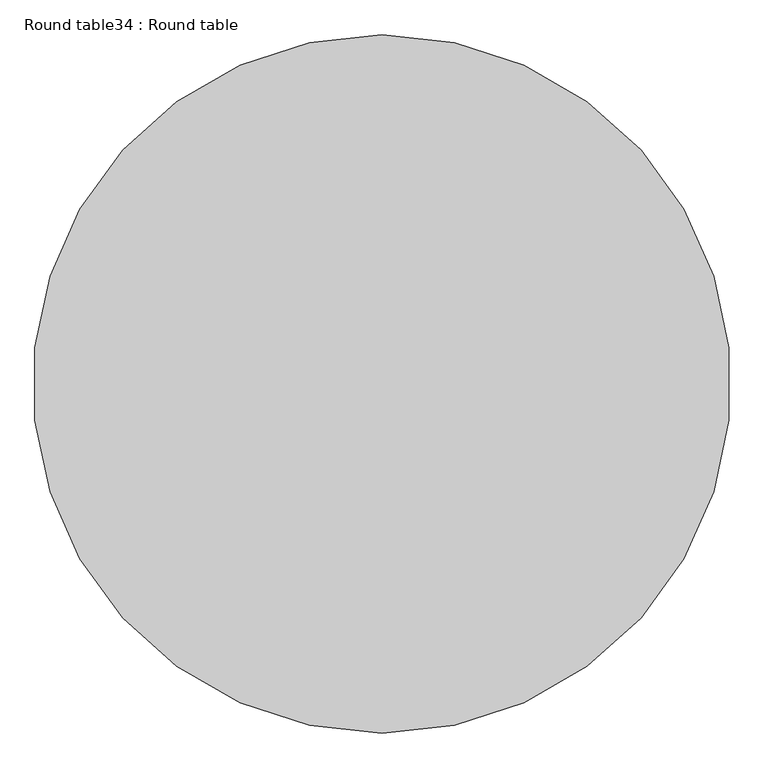
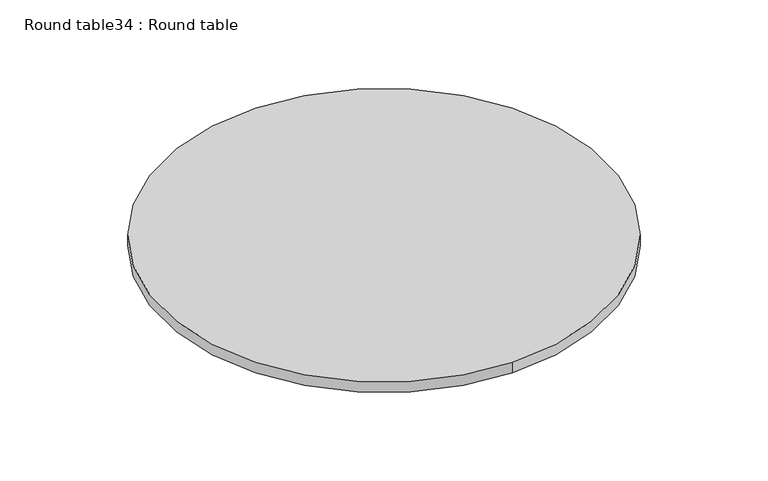
"""IFC4 building model written with IfcOpenShell, lengths in millimetres: furniture geometry, Round table34 : Round table."""

from ifc_helpers import new_model, si_unit, point, frame, frame_2d, origin, place, context, project, spatial, circle_curve, trimmed, segment, composite_curve, outline, extrude, source, transform, mapped, element, save


def round_table34_round_table_cab80abe(model_context):
    return source(origin(), model_context, "Body", "SweptSolid", [
        extrude(outline(composite_curve([segment(trimmed(circle_curve(frame_2d((-119339.8050978, -5944.9606028)), 508.0), [point((-119339.8050978, -5436.9606028))], [point((-119339.8050978, -6452.9606028))], False, "CARTESIAN"), True, "CONTINUOUS"), segment(trimmed(circle_curve(frame_2d((-119339.8050978, -5944.9606028)), 508.0), [point((-119339.8050978, -6452.9606028))], [point((-119339.8050978, -5436.9606028))], False, "CARTESIAN"), True, "CONTINUOUS")], self_intersect=False)), frame((0.0, 0.0, 762.0), z_axis=(0.0, 0.0, 1.0), x_axis=(1.0, 0.0, 0.0)), (0.0, 0.0, 1.0), 25.4),
    ])


if __name__ == "__main__":
    model = new_model("IFC4")
    model_context = context("Model", 3, world=origin())
    ifc_project = project(units=[si_unit("LENGTHUNIT", "METRE", prefix="MILLI")], contexts=[model_context])
    site = spatial("IfcSite", under=ifc_project)
    building = spatial("IfcBuilding", under=site)
    placement = place(None, origin())
    round_table34_round_table_shape = round_table34_round_table_cab80abe(model_context)
    element("IfcFurniture", 1, ObjectType="Round table34 : Round table", at=placement, inside=building, context=model_context, shape_type="MappedRepresentation", body=[
        mapped(round_table34_round_table_shape, transform((0.0, 0.0, 0.0), x_axis=(1.0, 0.0, 0.0), y_axis=(0.0, 1.0, 0.0), z_axis=(0.0, 0.0, 1.0))),
    ])
    save(model, "model.ifc")
